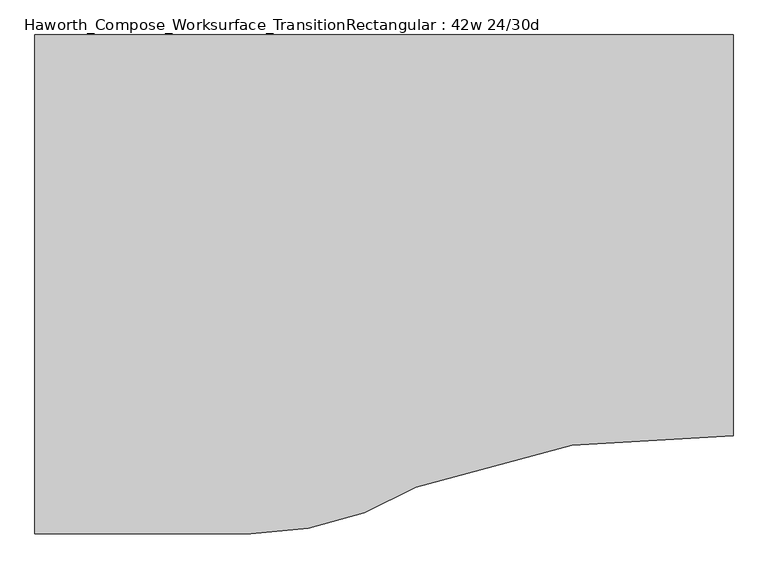
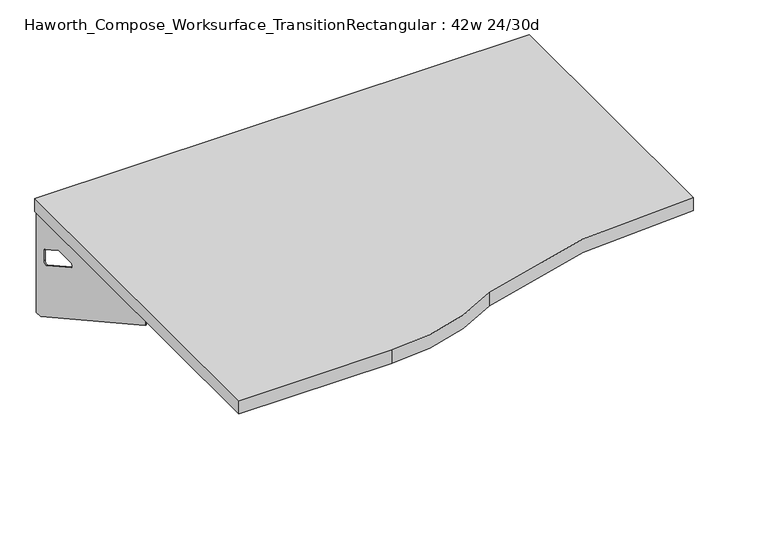
"""IFC4 building model written with IfcOpenShell, lengths in millimetres: furniture geometry, Haworth_Compose_Worksurface_TransitionRectangular : 42w 24/30d."""

from ifc_helpers import new_model, si_unit, point, frame, frame_2d, origin, place, context, project, spatial, polyline, circle_curve, trimmed, segment, composite_curve, outline, extrude, source, transform, mapped, element, save
from ifc_brep_helpers import plane_surface, revolved_surface, advanced_brep


def haworth_compose_worksurface_transitionrectangular_42w_24_30d_20fdbc13(model_context):
    return source(origin(), model_context, "Body", "SolidModel", [
        advanced_brep(
        [(508.79375, 228.6, 475.45625), (508.79375, 212.725, 475.45625), (508.79375, -177.8, 691.7192568), (508.79375, -177.8, 704.05625), (508.79375, 212.725, 704.05625), (508.79375, 228.6, 704.05625), (508.79375, 145.290072, 665.95625), (508.79375, 101.6355284, 665.95625), (508.79375, 98.9564235, 656.3705539), (508.79375, 190.6776173, 605.5776439), (508.79375, 200.025, 611.1756969), (508.79375, 200.025, 634.6860246), (508.79375, 198.2730055, 637.5242776), (508.79375, 148.3663437, 665.1613425), (511.175, 228.6, 475.45625), (511.175, 228.6, 704.05625), (511.175, 212.725, 704.05625), (511.175, 212.725, 706.4375), (511.175, -177.8, 706.4375), (511.175, -177.8, 691.7192568), (511.175, 212.725, 475.45625), (511.175, 145.290072, 665.95625), (511.175, 148.3663437, 665.1613425), (511.175, 198.2730055, 637.5242776), (511.175, 200.025, 634.6860246), (511.175, 200.025, 611.1756969), (511.175, 190.6776173, 605.5776439), (511.175, 98.9564235, 656.3705539), (511.175, 101.6355284, 665.95625), (469.9, -177.8, 706.4375), (469.9, -177.8, 704.05625), (469.9, 212.725, 704.05625), (469.9, 212.725, 706.4375)],
        [
            (0, 1),
            (1, 2),
            (2, 3),
            (3, 4),
            (4, 5),
            (5, 0),
            (6, 7),
            (7, 8, circle_curve(frame((508.79375, 101.6355284, 660.7890106), z_axis=(1.0, 0.0, 0.0), x_axis=(0.0, -1.0, 0.0)), 5.1672394)),
            (8, 9),
            (9, 10, circle_curve(frame((508.79375, 193.675, 611.1756969), z_axis=(1.0, 0.0, 0.0), x_axis=(0.0, -1.0, 0.0)), 6.35)),
            (10, 11),
            (11, 12, circle_curve(frame((508.79375, 196.85, 634.6860246), z_axis=(1.0, 0.0, 0.0), x_axis=(0.0, -1.0, 0.0)), 3.175)),
            (12, 13),
            (13, 6, circle_curve(frame((508.79375, 145.290072, 659.60625), z_axis=(1.0, 0.0, 0.0), x_axis=(0.0, -1.0, 0.0)), 6.35)),
            (14, 15),
            (15, 16),
            (16, 17),
            (17, 18),
            (18, 19),
            (19, 20),
            (20, 14),
            (21, 22, circle_curve(frame((511.175, 145.290072, 659.60625), z_axis=(-1.0, 0.0, 0.0), x_axis=(0.0, -1.0, 0.0)), 6.35)),
            (22, 23),
            (23, 24, circle_curve(frame((511.175, 196.85, 634.6860246), z_axis=(-1.0, 0.0, 0.0), x_axis=(0.0, -1.0, 0.0)), 3.175)),
            (24, 25),
            (25, 26, circle_curve(frame((511.175, 193.675, 611.1756969), z_axis=(-1.0, 0.0, 0.0), x_axis=(0.0, -1.0, 0.0)), 6.35)),
            (26, 27),
            (27, 28, circle_curve(frame((511.175, 101.6355284, 660.7890106), z_axis=(-1.0, 0.0, 0.0), x_axis=(0.0, -1.0, 0.0)), 5.1672394)),
            (28, 21),
            (4, 16),
            (15, 5),
            (14, 0),
            (20, 1),
            (19, 2),
            (18, 29),
            (29, 30),
            (30, 3),
            (6, 21),
            (28, 7),
            (9, 26),
            (25, 10),
            (24, 11),
            (23, 12),
            (27, 8),
            (31, 4),
            (30, 31),
            (32, 29),
            (17, 32),
            (31, 32),
            (22, 13),
        ],
        [
            plane_surface(frame((508.79375, 228.6, 475.45625), z_axis=(-1.0, 0.0, 0.0), x_axis=(0.0, 1.0, 0.0))),
            plane_surface(frame((511.175, 228.6, 475.45625), z_axis=(1.0, 0.0, 0.0), x_axis=(0.0, -1.0, 0.0))),
            plane_surface(frame((511.175, -177.8, 704.05625), z_axis=(0.0, 0.0, 1.0), x_axis=(-1.0, 0.0, 0.0))),
            plane_surface(frame((511.175, 228.6, 704.05625), z_axis=(0.0, 1.0, 0.0), x_axis=(-1.0, 0.0, 0.0))),
            plane_surface(frame((511.175, 228.6, 475.45625), z_axis=(0.0, 0.0, -1.0), x_axis=(-1.0, 0.0, 0.0))),
            plane_surface(frame((511.175, 212.725, 475.45625), z_axis=(0.0, -0.48445223513455843, -0.8748177135112952), x_axis=(-1.0, 0.0, 0.0))),
            plane_surface(frame((511.175, -177.8, 691.7192568), z_axis=(0.0, -1.0, 0.0), x_axis=(-1.0, 0.0, 0.0))),
            plane_surface(frame((511.175, 145.290072, 665.95625), z_axis=(0.0, 0.0, -1.0), x_axis=(-1.0, 0.0, 0.0))),
            revolved_surface(polyline([(508.79375, 187.32500000000002, 611.1756969), (511.175, 187.32500000000002, 611.1756969)]), (511.175, 193.675, 611.1756969), (-1.0, 0.0, 0.0)),
            plane_surface(frame((511.175, 200.025, 611.1756969), z_axis=(0.0, -1.0, 0.0), x_axis=(-1.0, 0.0, 0.0))),
            revolved_surface(polyline([(508.79375, 193.67499999999998, 634.6860246), (511.175, 193.67499999999998, 634.6860246)]), (511.175, 196.85, 634.6860246), (-1.0, 0.0, 0.0)),
            revolved_surface(polyline([(508.79375, 96.468289, 660.7890106), (511.175, 96.468289, 660.7890106)]), (511.175, 101.6355284, 660.7890106), (-1.0, 0.0, 0.0)),
            plane_surface(frame((511.175, 212.725, 704.05625), z_axis=(0.0, 0.0, -1.0), x_axis=(-1.0, 0.0, 0.0))),
            plane_surface(frame((511.175, 212.725, 706.4375), z_axis=(0.0, 0.0, 1.0), x_axis=(1.0, 0.0, 0.0))),
            plane_surface(frame((469.9, 212.725, 706.4375), z_axis=(0.0, 1.0, 0.0), x_axis=(0.0, 0.0, -1.0))),
            plane_surface(frame((469.9, -177.8, 706.4375), z_axis=(-1.0, 0.0, 0.0), x_axis=(0.0, 0.0, -1.0))),
            plane_surface(frame((511.175, 98.9564235, 656.3705539), z_axis=(0.0, 0.4844522351345583, 0.8748177135112953), x_axis=(-1.0, 0.0, 0.0))),
            plane_surface(frame((511.175, 198.2730055, 637.5242776), z_axis=(0.0, -0.4844522351345582, -0.8748177135112953), x_axis=(-1.0, 0.0, 0.0))),
            revolved_surface(polyline([(508.79375, 138.94007200000001, 659.60625), (511.175, 138.94007200000001, 659.60625)]), (511.175, 145.290072, 659.60625), (-1.0, 0.0, 0.0)),
        ],
        [
            (0, [[1, 2, 3, 4, 5, 6], [7, 8, 9, 10, 11, 12, 13, 14]]),
            (1, [[15, 16, 17, 18, 19, 20, 21], [22, 23, 24, 25, 26, 27, 28, 29]]),
            (2, [[-5, 30, -16, 31]]),
            (3, [[-31, -15, 32, -6]]),
            (4, [[-32, -21, 33, -1]]),
            (5, [[-33, -20, 34, -2]]),
            (6, [[-34, -19, 35, 36, 37, -3]]),
            (7, [[38, -29, 39, -7]]),
            (8, [[40, -26, 41, -10]]),
            (9, [[-41, -25, 42, -11]]),
            (10, [[-42, -24, 43, -12]]),
            (11, [[-39, -28, 44, -8]]),
            (12, [[45, -4, -37, 46]]),
            (13, [[47, -35, -18, 48]]),
            (14, [[-17, -30, -45, 49, -48]]),
            (15, [[-36, -47, -49, -46]]),
            (16, [[-44, -27, -40, -9]]),
            (17, [[-43, -23, 50, -13]]),
            (18, [[-50, -22, -38, -14]]),
        ],
    ),
        advanced_brep(
        [(-546.89375, 228.6, 475.45625), (-546.89375, 228.6, 704.05625), (-546.89375, 212.725, 704.05625), (-546.89375, -177.8, 704.05625), (-546.89375, -177.8, 691.7192568), (-546.89375, 212.725, 475.45625), (-546.89375, 145.290072, 665.95625), (-546.89375, 148.3663437, 665.1613425), (-546.89375, 198.2730055, 637.5242776), (-546.89375, 200.025, 634.6860246), (-546.89375, 200.025, 611.1756969), (-546.89375, 190.6776173, 605.5776439), (-546.89375, 98.9564235, 656.3705539), (-546.89375, 101.6355284, 665.95625), (-549.275, 228.6, 475.45625), (-549.275, 212.725, 475.45625), (-549.275, -177.8, 691.7192568), (-549.275, -177.8, 706.4375), (-549.275, 212.725, 706.4375), (-549.275, 212.725, 704.05625), (-549.275, 228.6, 704.05625), (-549.275, 145.290072, 665.95625), (-549.275, 101.6355284, 665.95625), (-549.275, 98.9564235, 656.3705539), (-549.275, 190.6776173, 605.5776439), (-549.275, 200.025, 611.1756969), (-549.275, 200.025, 634.6860246), (-549.275, 198.2730055, 637.5242776), (-549.275, 148.3663437, 665.1613425), (-508.0, -177.8, 704.05625), (-508.0, -177.8, 706.4375), (-508.0, 212.725, 704.05625), (-508.0, 212.725, 706.4375)],
        [
            (0, 1),
            (1, 2),
            (2, 3),
            (3, 4),
            (4, 5),
            (5, 0),
            (6, 7, circle_curve(frame((-546.89375, 145.290072, 659.60625), z_axis=(-1.0, 0.0, 0.0), x_axis=(0.0, -1.0, 0.0)), 6.35)),
            (7, 8),
            (8, 9, circle_curve(frame((-546.89375, 196.85, 634.6860246), z_axis=(-1.0, 0.0, 0.0), x_axis=(0.0, -1.0, 0.0)), 3.175)),
            (9, 10),
            (10, 11, circle_curve(frame((-546.89375, 193.675, 611.1756969), z_axis=(-1.0, 0.0, 0.0), x_axis=(0.0, -1.0, 0.0)), 6.35)),
            (11, 12),
            (12, 13, circle_curve(frame((-546.89375, 101.6355284, 660.7890106), z_axis=(-1.0, 0.0, 0.0), x_axis=(0.0, -1.0, 0.0)), 5.1672394)),
            (13, 6),
            (14, 15),
            (15, 16),
            (16, 17),
            (17, 18),
            (18, 19),
            (19, 20),
            (20, 14),
            (21, 22),
            (22, 23, circle_curve(frame((-549.275, 101.6355284, 660.7890106), z_axis=(1.0, 0.0, 0.0), x_axis=(0.0, -1.0, 0.0)), 5.1672394)),
            (23, 24),
            (24, 25, circle_curve(frame((-549.275, 193.675, 611.1756969), z_axis=(1.0, 0.0, 0.0), x_axis=(0.0, -1.0, 0.0)), 6.35)),
            (25, 26),
            (26, 27, circle_curve(frame((-549.275, 196.85, 634.6860246), z_axis=(1.0, 0.0, 0.0), x_axis=(0.0, -1.0, 0.0)), 3.175)),
            (27, 28),
            (28, 21, circle_curve(frame((-549.275, 145.290072, 659.60625), z_axis=(1.0, 0.0, 0.0), x_axis=(0.0, -1.0, 0.0)), 6.35)),
            (1, 20),
            (19, 2),
            (0, 14),
            (5, 15),
            (4, 16),
            (3, 29),
            (29, 30),
            (30, 17),
            (13, 22),
            (21, 6),
            (10, 25),
            (24, 11),
            (9, 26),
            (8, 27),
            (12, 23),
            (31, 29),
            (2, 31),
            (32, 18),
            (30, 32),
            (32, 31),
            (7, 28),
        ],
        [
            plane_surface(frame((-546.89375, 228.6, 475.45625), z_axis=(1.0, 0.0, 0.0), x_axis=(0.0, 1.0, 0.0))),
            plane_surface(frame((-549.275, 228.6, 475.45625), z_axis=(-1.0, 0.0, 0.0), x_axis=(0.0, -1.0, 0.0))),
            plane_surface(frame((-549.275, -177.8, 704.05625), z_axis=(0.0, 0.0, 1.0), x_axis=(1.0, 0.0, 0.0))),
            plane_surface(frame((-549.275, 228.6, 704.05625), z_axis=(0.0, 1.0, 0.0), x_axis=(1.0, 0.0, 0.0))),
            plane_surface(frame((-549.275, 228.6, 475.45625), z_axis=(0.0, 0.0, -1.0), x_axis=(1.0, 0.0, 0.0))),
            plane_surface(frame((-549.275, 212.725, 475.45625), z_axis=(0.0, -0.48445223513455843, -0.8748177135112952), x_axis=(1.0, 0.0, 0.0))),
            plane_surface(frame((-549.275, -177.8, 691.7192568), z_axis=(0.0, -1.0, 0.0), x_axis=(1.0, 0.0, 0.0))),
            plane_surface(frame((-549.275, 145.290072, 665.95625), z_axis=(0.0, 0.0, -1.0), x_axis=(1.0, 0.0, 0.0))),
            revolved_surface(polyline([(-546.89375, 187.32500000000002, 611.1756969), (-549.275, 187.32500000000002, 611.1756969)]), (-549.275, 193.675, 611.1756969), (1.0, 0.0, 0.0)),
            plane_surface(frame((-549.275, 200.025, 611.1756969), z_axis=(0.0, -1.0, 0.0), x_axis=(1.0, 0.0, 0.0))),
            revolved_surface(polyline([(-546.89375, 193.67499999999998, 634.6860246), (-549.275, 193.67499999999998, 634.6860246)]), (-549.275, 196.85, 634.6860246), (1.0, 0.0, 0.0)),
            revolved_surface(polyline([(-546.89375, 96.468289, 660.7890106), (-549.275, 96.468289, 660.7890106)]), (-549.275, 101.6355284, 660.7890106), (1.0, 0.0, 0.0)),
            plane_surface(frame((-549.275, 212.725, 704.05625), z_axis=(0.0, 0.0, -1.0), x_axis=(1.0, 0.0, 0.0))),
            plane_surface(frame((-549.275, 212.725, 706.4375), z_axis=(0.0, 0.0, 1.0), x_axis=(-1.0, 0.0, 0.0))),
            plane_surface(frame((-508.0, 212.725, 706.4375), z_axis=(0.0, 1.0, 0.0), x_axis=(0.0, 0.0, -1.0))),
            plane_surface(frame((-508.0, -177.8, 706.4375), z_axis=(1.0, 0.0, 0.0), x_axis=(0.0, 0.0, -1.0))),
            plane_surface(frame((-549.275, 98.9564235, 656.3705539), z_axis=(0.0, 0.4844522351345583, 0.8748177135112953), x_axis=(1.0, 0.0, 0.0))),
            plane_surface(frame((-549.275, 198.2730055, 637.5242776), z_axis=(0.0, -0.4844522351345582, -0.8748177135112953), x_axis=(1.0, 0.0, 0.0))),
            revolved_surface(polyline([(-546.89375, 138.94007200000001, 659.60625), (-549.275, 138.94007200000001, 659.60625)]), (-549.275, 145.290072, 659.60625), (1.0, 0.0, 0.0)),
        ],
        [
            (0, [[1, 2, 3, 4, 5, 6], [7, 8, 9, 10, 11, 12, 13, 14]]),
            (1, [[15, 16, 17, 18, 19, 20, 21], [22, 23, 24, 25, 26, 27, 28, 29]]),
            (2, [[30, -20, 31, -2]]),
            (3, [[-1, 32, -21, -30]]),
            (4, [[-6, 33, -15, -32]]),
            (5, [[-5, 34, -16, -33]]),
            (6, [[-4, 35, 36, 37, -17, -34]]),
            (7, [[-14, 38, -22, 39]]),
            (8, [[-11, 40, -25, 41]]),
            (9, [[-10, 42, -26, -40]]),
            (10, [[-9, 43, -27, -42]]),
            (11, [[-13, 44, -23, -38]]),
            (12, [[45, -35, -3, 46]]),
            (13, [[47, -18, -37, 48]]),
            (14, [[-47, 49, -46, -31, -19]]),
            (15, [[-45, -49, -48, -36]]),
            (16, [[-12, -41, -24, -44]]),
            (17, [[-8, 50, -28, -43]]),
            (18, [[-7, -39, -29, -50]]),
        ],
    ),
        extrude(outline(composite_curve([segment(trimmed(circle_curve(frame_2d((463.5932653, -1601.8064208)), 1219.2), [point((514.35, -383.6634103))], [point((29.5318841, -462.4911188))], True, "CARTESIAN"), True, "CONTINUOUS"), segment(trimmed(circle_curve(frame_2d((-222.2878584, -50.8)), 482.6), [point((29.5318841, -462.4911188))], [point((-222.2878584, -533.4))], False, "CARTESIAN"), True, "CONTINUOUS"), segment(polyline([(-222.2878584, -533.4), (-552.45, -533.4), (-552.45, 228.6), (514.35, 228.6), (514.35, -383.6634103)]), True, "CONTINUOUS")], self_intersect=False)), frame((0.0, 0.0, 706.4375), z_axis=(0.0, 0.0, 1.0), x_axis=(1.0, 0.0, 0.0)), (0.0, 0.0, 1.0), 30.1625),
    ])


if __name__ == "__main__":
    model = new_model("IFC4")
    model_context = context("Model", 3, world=origin())
    ifc_project = project(units=[si_unit("LENGTHUNIT", "METRE", prefix="MILLI")], contexts=[model_context])
    site = spatial("IfcSite", under=ifc_project)
    building = spatial("IfcBuilding", under=site)
    placement = place(None, origin())
    haworth_compose_worksurface_transitionrectangular_42w_24_30d_shape = haworth_compose_worksurface_transitionrectangular_42w_24_30d_20fdbc13(model_context)
    element("IfcFurniture", 1, ObjectType="Haworth_Compose_Worksurface_TransitionRectangular : 42w 24/30d", at=placement, inside=building, context=model_context, shape_type="MappedRepresentation", body=[
        mapped(haworth_compose_worksurface_transitionrectangular_42w_24_30d_shape, transform((0.0, 0.0, 0.0), x_axis=(1.0, 0.0, 0.0), y_axis=(0.0, 1.0, 0.0), z_axis=(0.0, 0.0, 1.0))),
    ])
    save(model, "model.ifc")
